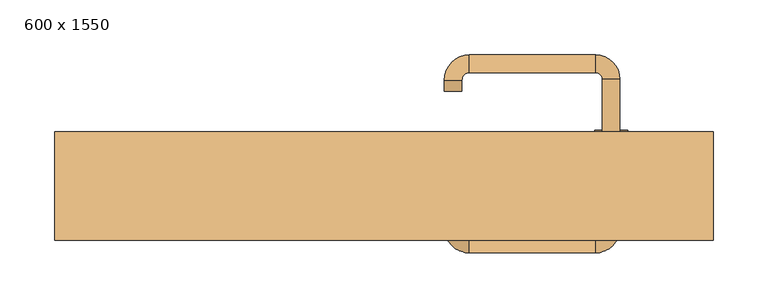
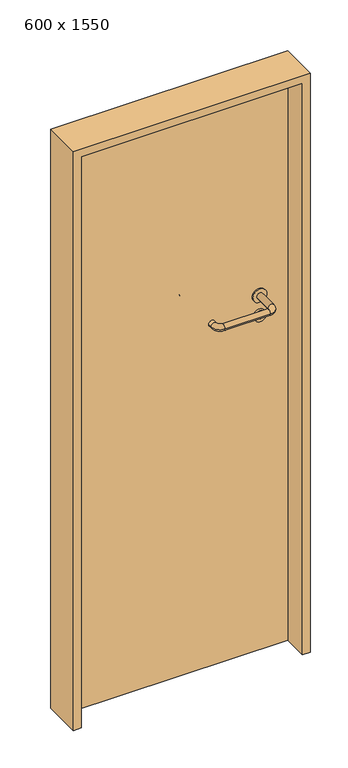
"""IFC4 building model written with IfcOpenShell, lengths in millimetres: door geometry, 600 x 1550."""

from ifc_helpers import new_model, si_unit, point, frame, frame_2d, origin, origin_with_axes, place, context, project, spatial, polyline, circle_curve, ellipse_curve, trimmed, segment, composite_curve, outline, extrude, source, transform, mapped, element, save
from ifc_brep_helpers import plane_surface, cylinder_surface, revolved_surface, advanced_brep


def door_600_x_1550_0bd8bbba(model_context):
    return source(origin(), model_context, "Body", "SolidModel", [
        extrude(outline(composite_curve([segment(trimmed(circle_curve(frame_2d((897.3605726, 207.0)), 15.0), [point((897.3605726, 222.0))], [point((897.3605726, 192.0))], False, "CARTESIAN"), True, "CONTINUOUS"), segment(trimmed(circle_curve(frame_2d((897.3605726, 207.0)), 15.0), [point((897.3605726, 192.0))], [point((897.3605726, 222.0))], False, "CARTESIAN"), True, "CONTINUOUS")], self_intersect=False), holes=[composite_curve([segment(trimmed(circle_curve(frame_2d((892.5833211, 206.9398032)), 2.0), [point((892.5833211, 208.9398032))], [point((892.5833211, 204.9398032))], True, "CARTESIAN"), True, "CONTINUOUS"), segment(polyline([(892.5833211, 204.9398032), (902.5833211, 204.9398032)]), True, "CONTINUOUS"), segment(trimmed(circle_curve(frame_2d((902.5833211, 206.9398032)), 2.0), [point((902.5833211, 204.9398032))], [point((902.5833211, 208.9398032))], True, "CARTESIAN"), True, "CONTINUOUS"), segment(polyline([(902.5833211, 208.9398032), (892.5833211, 208.9398032)]), True, "CONTINUOUS")], self_intersect=False)]), frame((0.0, 8.65, 0.0), z_axis=(0.0, 1.0, 0.0), x_axis=(0.0, 0.0, 1.0)), (0.0, 0.0, 1.0), 6.35),
        extrude(outline(composite_curve([segment(trimmed(circle_curve(frame_2d((950.0, 207.0)), 17.526), [point((950.0, 224.526))], [point((950.0, 189.474))], False, "CARTESIAN"), True, "CONTINUOUS"), segment(trimmed(circle_curve(frame_2d((950.0, 207.0)), 17.526), [point((950.0, 189.474))], [point((950.0, 224.526))], False, "CARTESIAN"), True, "CONTINUOUS")], self_intersect=False)), frame((0.0, 11.825, 0.0), z_axis=(0.0, 1.0, 0.0), x_axis=(0.0, 0.0, 1.0)), (0.0, 0.0, 1.0), 3.175),
        advanced_brep(
        [(215.0, 15.0, 950.0), (199.0, 15.0, 950.0), (199.0, -38.0, 950.0), (215.0, -38.0, 950.0), (192.8578644, -44.1421356, 950.0), (192.8578644, -60.1421356, 950.0), (77.8578644, -44.1421356, 950.0), (77.8578644, -60.1421356, 950.0), (71.008622, -37.2928932, 950.0), (55.008622, -37.2928932, 950.0), (55.008622, -27.2928932, 950.0), (71.008622, -27.2928932, 950.0)],
        [
            (0, 1, circle_curve(frame((207.0, 15.0, 950.0), z_axis=(0.0, 1.0, 0.0), x_axis=(-1.0, 0.0, 0.0)), 8.0)),
            (1, 0, circle_curve(frame((207.0, 15.0, 950.0), z_axis=(0.0, 1.0, 0.0), x_axis=(-1.0, 0.0, 0.0)), 8.0)),
            (1, 2),
            (2, 3, circle_curve(frame((207.0, -38.0, 950.0), z_axis=(0.0, 1.0, 0.0), x_axis=(-1.0, 0.0, 0.0)), 8.0)),
            (3, 0),
            (3, 2, circle_curve(frame((207.0, -38.0, 950.0), z_axis=(0.0, 1.0, 0.0), x_axis=(-1.0, 0.0, 0.0)), 8.0)),
            (4, 5, circle_curve(frame((192.8578644, -52.1421356, 950.0), z_axis=(1.0, 0.0, 0.0), x_axis=(0.0, 1.0, 0.0)), 8.0)),
            (5, 3, circle_curve(frame((192.8578644, -38.0, 950.0), z_axis=(0.0, 0.0, 1.0), x_axis=(1.0, 0.0, 0.0)), 22.1421356)),
            (2, 4, circle_curve(frame((192.8578644, -38.0, 950.0), z_axis=(0.0, 0.0, -1.0), x_axis=(1.0, 0.0, 0.0)), 6.1421356)),
            (5, 4, circle_curve(frame((192.8578644, -52.1421356, 950.0), z_axis=(1.0, 0.0, 0.0), x_axis=(0.0, 1.0, 0.0)), 8.0)),
            (4, 6),
            (6, 7, circle_curve(frame((77.8578644, -52.1421356, 950.0), z_axis=(1.0, 0.0, 0.0), x_axis=(0.0, 1.0, 0.0)), 8.0)),
            (7, 5),
            (7, 6, circle_curve(frame((77.8578644, -52.1421356, 950.0), z_axis=(1.0, 0.0, 0.0), x_axis=(0.0, 1.0, 0.0)), 8.0)),
            (8, 9, circle_curve(frame((63.008622, -37.2928932, 950.0), z_axis=(0.0, -1.0, 0.0), x_axis=(1.0, 0.0, 0.0)), 8.0)),
            (9, 7, circle_curve(frame((77.8578644, -37.2928932, 950.0), z_axis=(0.0, 0.0, 1.0), x_axis=(0.0, -1.0, 0.0)), 22.8492424)),
            (6, 8, circle_curve(frame((77.8578644, -37.2928932, 950.0), z_axis=(0.0, 0.0, -1.0), x_axis=(0.0, -1.0, 0.0)), 6.8492424)),
            (9, 8, circle_curve(frame((63.008622, -37.2928932, 950.0), z_axis=(0.0, -1.0, 0.0), x_axis=(1.0, 0.0, 0.0)), 8.0)),
            (10, 11, circle_curve(frame((63.008622, -27.2928932, 950.0), z_axis=(0.0, 1.0, 0.0), x_axis=(1.0, 0.0, 0.0)), 8.0)),
            (11, 10, circle_curve(frame((63.008622, -27.2928932, 950.0), z_axis=(0.0, 1.0, 0.0), x_axis=(1.0, 0.0, 0.0)), 8.0)),
            (8, 11),
            (10, 9),
        ],
        [
            plane_surface(frame((207.0, 15.0, 0.0), z_axis=(0.0, 1.0, 0.0), x_axis=(0.0, 0.0, 1.0))),
            cylinder_surface(frame((207.0, 15.0, 950.0), z_axis=(0.0, 1.0, 0.0), x_axis=(-1.0, 0.0, 0.0)), 8.0),
            revolved_surface(trimmed(ellipse_curve(frame((207.0, -38.0, 950.0), z_axis=(0.0, -1.0, 0.0), x_axis=(-1.0, 0.0, 0.0)), 8.0, 8.0), [point((215.0, -38.0, 950.0))], [point((199.0, -38.0, 950.0))], True, "CARTESIAN"), (192.8578644, -38.0, 0.0), (0.0, 0.0, 1.0)),
            revolved_surface(trimmed(ellipse_curve(frame((207.0, -38.0, 950.0), z_axis=(0.0, -1.0, 0.0), x_axis=(-1.0, 0.0, 0.0)), 8.0, 8.0), [point((199.0, -38.0, 950.0))], [point((215.0, -38.0, 950.0))], True, "CARTESIAN"), (192.8578644, -38.0, 0.0), (0.0, 0.0, 1.0)),
            cylinder_surface(frame((192.8578644, -52.1421356, 950.0), z_axis=(1.0, 0.0, 0.0), x_axis=(0.0, 1.0, 0.0)), 8.0),
            revolved_surface(trimmed(ellipse_curve(frame((77.8578644, -52.1421356, 950.0), z_axis=(-1.0, 0.0, 0.0), x_axis=(0.0, 1.0, 0.0)), 8.0, 8.0), [point((77.8578644, -60.1421356, 950.0))], [point((77.8578644, -44.1421356, 950.0))], True, "CARTESIAN"), (77.8578644, -37.2928932, 0.0), (0.0, 0.0, 1.0)),
            revolved_surface(trimmed(ellipse_curve(frame((77.8578644, -52.1421356, 950.0), z_axis=(-1.0, 0.0, 0.0), x_axis=(0.0, 1.0, 0.0)), 8.0, 8.0), [point((77.8578644, -44.1421356, 950.0))], [point((77.8578644, -60.1421356, 950.0))], True, "CARTESIAN"), (77.8578644, -37.2928932, 0.0), (0.0, 0.0, 1.0)),
            plane_surface(frame((63.008622, -27.2928932, 0.0), z_axis=(0.0, 1.0, 0.0), x_axis=(0.0, 0.0, 1.0))),
            cylinder_surface(frame((63.008622, -37.2928932, 950.0), z_axis=(0.0, -1.0, 0.0), x_axis=(1.0, 0.0, 0.0)), 8.0),
        ],
        [
            (0, [[1, 2]]),
            (1, [[3, 4, 5, -2]]),
            (1, [[-5, 6, -3, -1]]),
            (2, [[7, 8, -4, 9]]),
            (3, [[10, -9, -6, -8]]),
            (4, [[11, 12, 13, -7]]),
            (4, [[-13, 14, -11, -10]]),
            (5, [[15, 16, -12, 17]]),
            (6, [[18, -17, -14, -16]]),
            (7, [[19, 20]]),
            (8, [[21, -19, 22, -15]]),
            (8, [[-22, -20, -21, -18]]),
        ],
    ),
        extrude(outline(composite_curve([segment(trimmed(circle_curve(frame_2d((0.0, -15.0)), 15.0), [point((0.0, -30.0))], [point((0.0, 0.0))], False, "CARTESIAN"), True, "CONTINUOUS"), segment(trimmed(circle_curve(frame_2d((0.0, -15.0)), 15.0), [point((0.0, 0.0))], [point((0.0, -30.0))], False, "CARTESIAN"), True, "CONTINUOUS")], self_intersect=False), holes=[composite_curve([segment(trimmed(circle_curve(frame_2d((4.7772515, -14.9398032)), 2.0), [point((4.7772515, -16.9398032))], [point((4.7772515, -12.9398032))], True, "CARTESIAN"), True, "CONTINUOUS"), segment(polyline([(4.7772515, -12.9398032), (-5.2227485, -12.9398032)]), True, "CONTINUOUS"), segment(trimmed(circle_curve(frame_2d((-5.2227485, -14.9398032)), 2.0), [point((-5.2227485, -12.9398032))], [point((-5.2227485, -16.9398032))], True, "CARTESIAN"), True, "CONTINUOUS"), segment(polyline([(-5.2227485, -16.9398032), (4.7772515, -16.9398032)]), True, "CONTINUOUS")], self_intersect=False)]), frame((192.0, 45.0, 897.3605726), z_axis=(1.8870575173328306e-12, 1.0, 0.0), x_axis=(0.0, 0.0, -1.0)), (0.0, 0.0, 1.0), 6.35),
        extrude(outline(composite_curve([segment(trimmed(circle_curve(frame_2d((0.0, -17.526)), 17.526), [point((0.0, -35.052))], [point((0.0, 0.0))], False, "CARTESIAN"), True, "CONTINUOUS"), segment(trimmed(circle_curve(frame_2d((0.0, -17.526)), 17.526), [point((0.0, 0.0))], [point((0.0, -35.052))], False, "CARTESIAN"), True, "CONTINUOUS")], self_intersect=False)), frame((189.474, 45.0, 950.0), z_axis=(1.8870575173328306e-12, 1.0, 0.0), x_axis=(0.0, 0.0, -1.0)), (0.0, 0.0, 1.0), 3.175),
        advanced_brep(
        [(215.0, 45.0, 950.0), (199.0, 45.0, 950.0), (215.0, 98.0, 950.0), (199.0, 98.0, 950.0), (192.8578644, 104.1421356, 950.0), (192.8578644, 120.1421356, 950.0), (77.8578644, 120.1421356, 950.0), (77.8578644, 104.1421356, 950.0), (71.008622, 97.2928932, 950.0), (55.008622, 97.2928932, 950.0), (55.008622, 87.2928932, 950.0), (71.008622, 87.2928932, 950.0)],
        [
            (0, 1, circle_curve(frame((207.0, 45.0, 950.0), z_axis=(-1.888672253512351e-12, -1.0, 0.0), x_axis=(-1.0, 1.888672253512351e-12, 0.0)), 8.0)),
            (1, 0, circle_curve(frame((207.0, 45.0, 950.0), z_axis=(-1.888672253512351e-12, -1.0, 0.0), x_axis=(-1.0, 1.888672253512351e-12, 0.0)), 8.0)),
            (0, 2),
            (2, 3, circle_curve(frame((207.0, 98.0, 950.0), z_axis=(-1.888672253512351e-12, -1.0, 0.0), x_axis=(-1.0, 1.888672253512351e-12, 0.0)), 8.0)),
            (3, 1),
            (3, 2, circle_curve(frame((207.0, 98.0, 950.0), z_axis=(-1.888672253512351e-12, -1.0, 0.0), x_axis=(-1.0, 1.888672253512351e-12, 0.0)), 8.0)),
            (4, 3, circle_curve(frame((192.8578644, 98.0, 950.0), z_axis=(0.0, 0.0, -1.0), x_axis=(1.0, -1.880717803715015e-12, 0.0)), 6.1421356)),
            (2, 5, circle_curve(frame((192.8578644, 98.0, 950.0), z_axis=(0.0, 0.0, 1.0), x_axis=(1.0, -1.880717803715015e-12, 0.0)), 22.1421356)),
            (5, 4, circle_curve(frame((192.8578644, 112.1421356, 950.0), z_axis=(1.0, -1.913702061528922e-12, 0.0), x_axis=(-1.913702061528922e-12, -1.0, 0.0)), 8.0)),
            (4, 5, circle_curve(frame((192.8578644, 112.1421356, 950.0), z_axis=(1.0, -1.913702061528922e-12, 0.0), x_axis=(-1.913702061528922e-12, -1.0, 0.0)), 8.0)),
            (5, 6),
            (6, 7, circle_curve(frame((77.8578644, 112.1421356, 950.0), z_axis=(1.0, -1.913719828541269e-12, 0.0), x_axis=(-1.913719828541269e-12, -1.0, 0.0)), 8.0)),
            (7, 4),
            (7, 6, circle_curve(frame((77.8578644, 112.1421356, 950.0), z_axis=(1.0, -1.913719828541269e-12, 0.0), x_axis=(-1.913719828541269e-12, -1.0, 0.0)), 8.0)),
            (8, 7, circle_curve(frame((77.8578644, 97.2928932, 950.0), z_axis=(0.0, 0.0, -1.0), x_axis=(1.9120873253494017e-12, 1.0, 0.0)), 6.8492424)),
            (6, 9, circle_curve(frame((77.8578644, 97.2928932, 950.0), z_axis=(0.0, 0.0, 1.0), x_axis=(1.9120873253494017e-12, 1.0, 0.0)), 22.8492424)),
            (9, 8, circle_curve(frame((63.008622, 97.2928932, 950.0), z_axis=(1.890448610351751e-12, 1.0, 0.0), x_axis=(1.0, -1.890448610351751e-12, 0.0)), 8.0)),
            (8, 9, circle_curve(frame((63.008622, 97.2928932, 950.0), z_axis=(1.8888942981172756e-12, 1.0, 0.0), x_axis=(1.0, -1.8888942981172756e-12, 0.0)), 8.0)),
            (10, 11, circle_curve(frame((63.008622, 87.2928932, 950.0), z_axis=(-1.8903642334018795e-12, -1.0, 0.0), x_axis=(1.0, -1.8903642334018795e-12, 0.0)), 8.0)),
            (11, 10, circle_curve(frame((63.008622, 87.2928932, 950.0), z_axis=(-1.8903642334018795e-12, -1.0, 0.0), x_axis=(1.0, -1.8903642334018795e-12, 0.0)), 8.0)),
            (9, 10),
            (11, 8),
        ],
        [
            plane_surface(frame((207.0, 45.0, 0.0), z_axis=(-1.8870575173328306e-12, -1.0, 0.0), x_axis=(0.0, 0.0, 1.0))),
            cylinder_surface(frame((207.0, 45.0, 950.0), z_axis=(-1.888672253512351e-12, -1.0, 0.0), x_axis=(-1.0, 1.888672253512351e-12, 0.0)), 8.0),
            revolved_surface(trimmed(ellipse_curve(frame((207.0, 98.0, 950.0), z_axis=(-1.8823325398945356e-12, -1.0, 0.0), x_axis=(-1.0, 1.8823325398945356e-12, 0.0)), 8.0, 8.0), [point((215.0, 98.0, 950.0))], [point((199.0, 98.0, 950.0))], True, "CARTESIAN"), (192.8578644, 98.0, 0.0), (0.0, 0.0, 1.0)),
            revolved_surface(trimmed(ellipse_curve(frame((207.0, 98.0, 950.0), z_axis=(-1.8823325398945356e-12, -1.0, 0.0), x_axis=(-1.0, 1.8823325398945356e-12, 0.0)), 8.0, 8.0), [point((199.0, 98.0, 950.0))], [point((215.0, 98.0, 950.0))], True, "CARTESIAN"), (192.8578644, 98.0, 0.0), (0.0, 0.0, 1.0)),
            cylinder_surface(frame((192.8578644, 112.1421356, 950.0), z_axis=(1.0, -1.913719828541269e-12, 0.0), x_axis=(-1.913719828541269e-12, -1.0, 0.0)), 8.0),
            revolved_surface(trimmed(ellipse_curve(frame((77.8578644, 112.1421356, 950.0), z_axis=(1.0, -1.913702061528922e-12, 0.0), x_axis=(-1.913702061528922e-12, -1.0, 0.0)), 8.0, 8.0), [point((77.8578644, 120.1421356, 950.0))], [point((77.8578644, 104.1421356, 950.0))], True, "CARTESIAN"), (77.8578644, 97.2928932, 0.0), (0.0, 0.0, 1.0)),
            revolved_surface(trimmed(ellipse_curve(frame((77.8578644, 112.1421356, 950.0), z_axis=(1.0, -1.913702061528922e-12, 0.0), x_axis=(-1.913702061528922e-12, -1.0, 0.0)), 8.0, 8.0), [point((77.8578644, 104.1421356, 950.0))], [point((77.8578644, 120.1421356, 950.0))], True, "CARTESIAN"), (77.8578644, 97.2928932, 0.0), (0.0, 0.0, 1.0)),
            plane_surface(frame((63.008622, 87.2928932, 0.0), z_axis=(-1.8887494972223595e-12, -1.0, 0.0), x_axis=(0.0, 0.0, 1.0))),
            cylinder_surface(frame((63.008622, 97.2928932, 950.0), z_axis=(1.8903642334018795e-12, 1.0, 0.0), x_axis=(1.0, -1.8903642334018795e-12, 0.0)), 8.0),
        ],
        [
            (0, [[1, 2]]),
            (1, [[-1, 3, 4, 5]]),
            (1, [[-2, -5, 6, -3]]),
            (2, [[7, -4, 8, 9]]),
            (3, [[-8, -6, -7, 10]]),
            (4, [[-9, 11, 12, 13]]),
            (4, [[-10, -13, 14, -11]]),
            (5, [[15, -12, 16, 17]]),
            (6, [[-16, -14, -15, 18]]),
            (7, [[19, 20]]),
            (8, [[-17, 21, -20, 22]]),
            (8, [[-18, -22, -19, -21]]),
        ],
    ),
        extrude(outline(polyline([(1530.0, 280.0), (0.0, 280.0), (0.0, 300.0), (1550.0, 300.0), (1550.0, -300.0), (0.0, -300.0), (0.0, -280.0), (1530.0, -280.0), (1530.0, 280.0)])), frame((0.0, -49.0, 0.0), z_axis=(0.0, 1.0, 0.0), x_axis=(0.0, 0.0, 1.0)), (0.0, 0.0, 1.0), 99.0),
        extrude(outline(polyline([(-280.0, 45.0), (280.0, 45.0), (280.0, 15.0), (-280.0, 15.0), (-280.0, 45.0)])), origin_with_axes(), (0.0, 0.0, 1.0), 1530.0),
    ])


if __name__ == "__main__":
    model = new_model("IFC4")
    model_context = context("Model", 3, world=origin())
    ifc_project = project(units=[si_unit("LENGTHUNIT", "METRE", prefix="MILLI")], contexts=[model_context])
    site = spatial("IfcSite", under=ifc_project)
    building = spatial("IfcBuilding", under=site)
    placement = place(None, origin())
    door_600_x_1550_shape = door_600_x_1550_0bd8bbba(model_context)
    element("IfcDoor", 1, ObjectType="600 x 1550", at=placement, inside=building, context=model_context, shape_type="MappedRepresentation", body=[
        mapped(door_600_x_1550_shape, transform((0.0, 0.0, 0.0), x_axis=(1.0, 0.0, 0.0), y_axis=(0.0, 1.0, 0.0), z_axis=(0.0, 0.0, 1.0))),
    ])
    save(model, "model.ifc")
